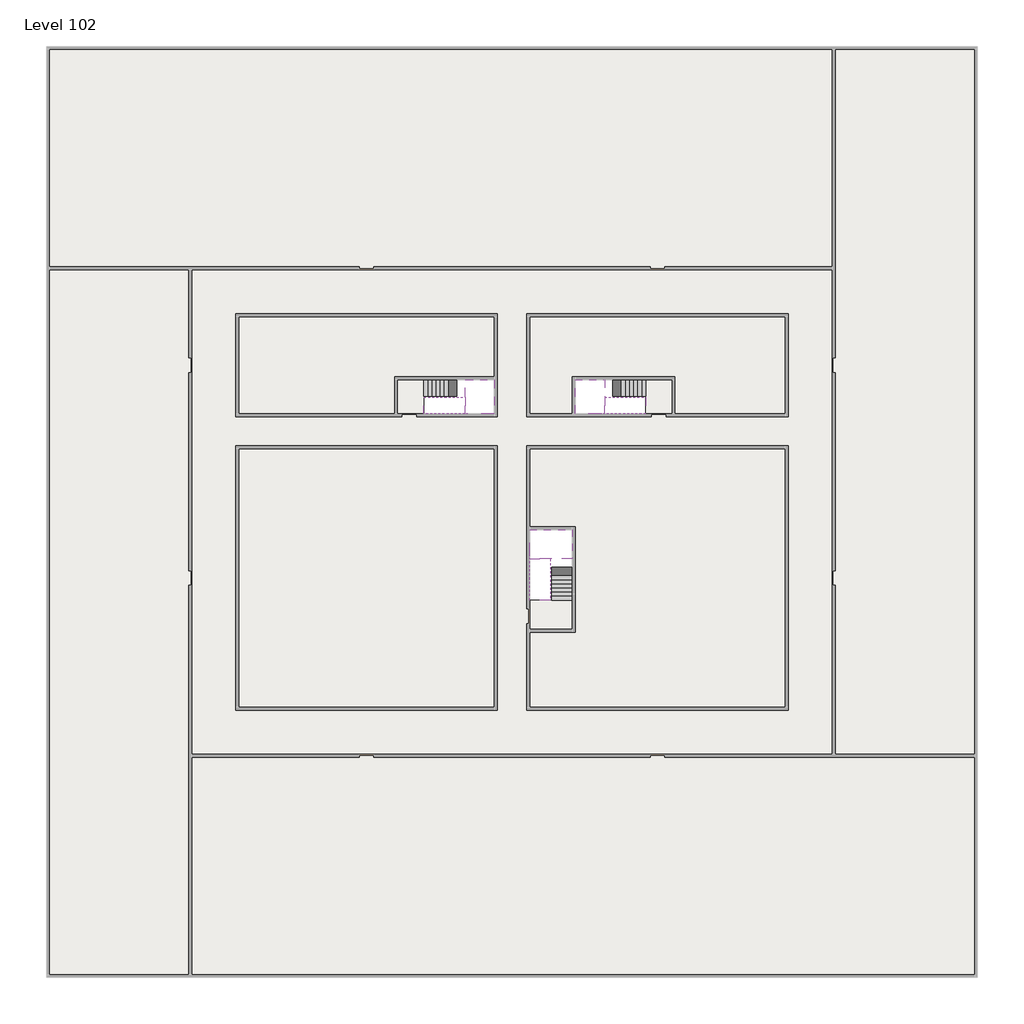
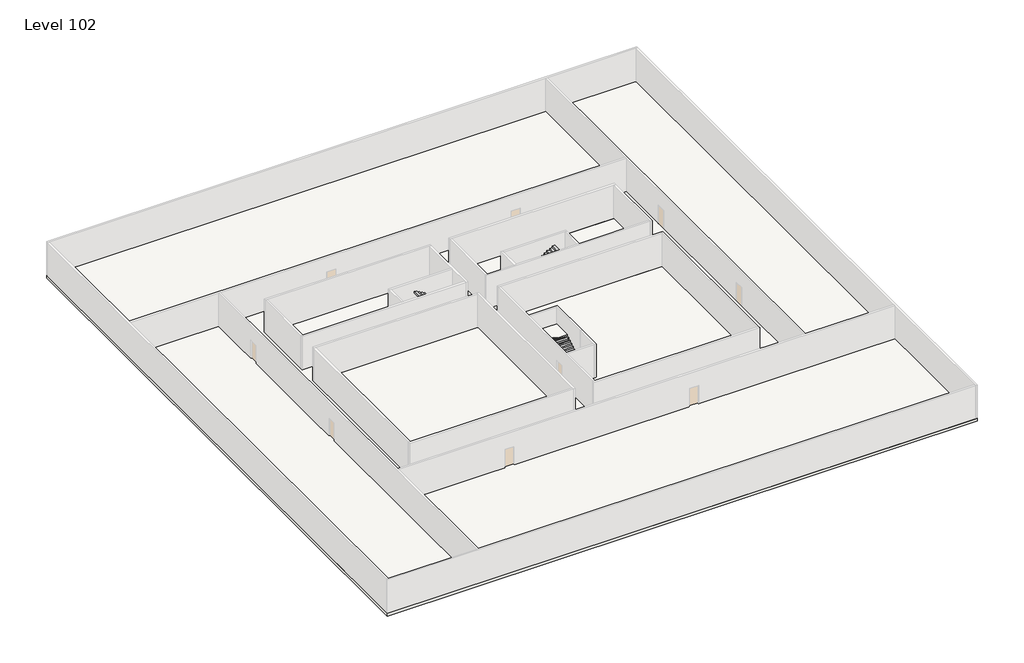
# One storey, part 2 of 2: 6 slabs, 6 stair flights.
"""IFC4 building model written with IfcOpenShell, lengths in millimetres."""

from ifc_helpers import new_model, si_unit, frame, origin, place, context, project, spatial, polyline, outline, extrude, faceted_brep, element, save

model = new_model("IFC4")

# Units and contexts
model_context = context("Model", 3, world=origin())
ifc_project = project(units=[si_unit("LENGTHUNIT", "METRE", prefix="MILLI")], contexts=[model_context])

# Site, building, storey
site = spatial("IfcSite", under=ifc_project)
building = spatial("IfcBuilding", under=site)
storey = spatial("IfcBuildingStorey", under=building, Name="Level 102", Elevation=383800.0)

# Slabs
placement = place(None, origin())
element("IfcSlab", 1, at=placement, inside=storey, context=model_context, shape_type="SweptSolid", body=[
    extrude(outline(polyline([(55890.1058784, -5518.09644), (55890.1058784, -68918.09644), (-7509.8941216, -68918.09644), (-7509.8941216, -5518.09644), (55890.1058784, -5518.09644)]), holes=[polyline([(22990.1058784, -23918.09644), (5590.1058784, -23918.09644), (5590.1058784, -30518.09644), (22990.1058784, -30518.09644), (22990.1058784, -23918.09644)]), polyline([(42990.1058784, -23918.09644), (25390.1058784, -23918.09644), (25390.1058784, -30518.09644), (42990.1058784, -30518.09644), (42990.1058784, -23918.09644)]), polyline([(25390.1058784, -50518.09644), (42790.1058784, -50518.09644), (42790.1058784, -32918.09644), (25390.1058784, -32918.09644), (25390.1058784, -50518.09644)]), polyline([(22990.1058784, -32918.09644), (5590.1058784, -32918.09644), (5590.1058784, -50518.09644), (22990.1058784, -50518.09644), (22990.1058784, -32918.09644)])]), frame((0.0, 0.0, 383500.0), z_axis=(0.0, 0.0, 1.0), x_axis=(1.0, 0.0, 0.0)), (0.0, 0.0, 1.0), 300.0),
])
element("IfcSlab", 2, at=placement, inside=storey, context=model_context, shape_type="SweptSolid", body=[
    extrude(outline(polyline([(22990.1058784, -23918.09644), (22990.1058784, -28018.09644), (16190.1058784, -28018.09644), (16190.1058784, -30518.09644), (5590.1058784, -30518.09644), (5590.1058784, -23918.09644), (22990.1058784, -23918.09644)])), frame((0.0, 0.0, 383500.0), z_axis=(0.0, 0.0, 1.0), x_axis=(1.0, 0.0, 0.0)), (0.0, 0.0, 1.0), 300.0),
    extrude(outline(polyline([(42790.1058784, -23918.09644), (42790.1058784, -30518.09644), (35290.1058784, -30518.09644), (35290.1058784, -28018.09644), (28490.1058784, -28018.09644), (28490.1058784, -30518.09644), (25390.1058784, -30518.09644), (25390.1058784, -23918.09644), (42790.1058784, -23918.09644)])), frame((0.0, 0.0, 383500.0), z_axis=(0.0, 0.0, 1.0), x_axis=(1.0, 0.0, 0.0)), (0.0, 0.0, 1.0), 300.0),
    extrude(outline(polyline([(22990.1058784, -32918.09644), (22990.1058784, -50518.09644), (5590.1058784, -50518.09644), (5590.1058784, -32918.09644), (22990.1058784, -32918.09644)])), frame((0.0, 0.0, 383500.0), z_axis=(0.0, 0.0, 1.0), x_axis=(1.0, 0.0, 0.0)), (0.0, 0.0, 1.0), 300.0),
    extrude(outline(polyline([(25390.1058784, -38218.09644), (25390.1058784, -32918.09644), (42790.1058784, -32918.09644), (42790.1058784, -50518.09644), (25390.1058784, -50518.09644), (25390.1058784, -45418.09644), (28490.1058784, -45418.09644), (28490.1058784, -38218.09644), (25390.1058784, -38218.09644)])), frame((0.0, 0.0, 383500.0), z_axis=(0.0, 0.0, 1.0), x_axis=(1.0, 0.0, 0.0)), (0.0, 0.0, 1.0), 300.0),
])
element("IfcSlab", 3, at=placement, inside=storey, context=model_context, shape_type="Brep", body=[
    faceted_brep([(26890.1058784, -40418.09644, 385700.0), (28290.1058784, -40418.09644, 385700.0), (28290.1058784, -40338.7100038, 385700.0), (28290.1058784, -38418.09644, 385700.0), (25390.1058784, -38418.09644, 385700.0), (25390.1058784, -40217.4828763, 385700.0), (25390.1058784, -40418.09644, 385700.0), (26790.1058784, -40418.09644, 385700.0), (26890.1058784, -40418.09644, 385400.0), (26890.1058784, -40418.09644, 385351.0278478), (28290.1058784, -40418.09644, 385351.0278478), (28290.1058784, -40418.09644, 385527.2727273), (28290.1058784, -40338.7100038, 385400.0), (28290.1058784, -38418.09644, 385400.0), (25390.1058784, -38418.09644, 385400.0), (25390.1058784, -40217.4828763, 385400.0), (25390.1058784, -40418.09644, 385523.7551205), (26790.1058784, -40418.09644, 385523.7551205), (26790.1058784, -40418.09644, 385400.0), (26790.1058784, -40217.4828763, 385400.0), (26890.1058784, -40338.7100038, 385400.0)], [[[0, 1, 2, 3, 4, 5, 6, 7]], [[1, 0, 8, 9, 10, 11]], [[1, 11, 10, 12, 13, 3, 2]], [[4, 3, 13, 14]], [[4, 14, 15, 16, 6, 5]], [[7, 6, 16, 17]], [[0, 7, 17, 18, 8]], [[18, 19, 15, 14, 13, 12, 20, 8]], [[19, 18, 17]], [[20, 12, 10, 9]], [[8, 20, 9]], [[15, 19, 17, 16]]]),
])
element("IfcSlab", 4, at=placement, inside=storey, context=model_context, shape_type="Brep", body=[
    faceted_brep([(20990.1058784, -28218.09644, 385700.0), (20990.1058784, -29318.09644, 385700.0), (20990.1058784, -29418.09644, 385700.0), (20990.1058784, -30518.09644, 385700.0), (21190.7194421, -30518.09644, 385700.0), (22990.1058784, -30518.09644, 385700.0), (22990.1058784, -28218.09644, 385700.0), (21069.4923146, -28218.09644, 385700.0), (20990.1058784, -28218.09644, 385527.2727273), (20990.1058784, -28218.09644, 385351.0278478), (20990.1058784, -29318.09644, 385351.0278478), (20990.1058784, -29318.09644, 385400.0), (20990.1058784, -29418.09644, 385400.0), (20990.1058784, -29418.09644, 385523.7551205), (20990.1058784, -30518.09644, 385523.7551205), (21190.7194421, -30518.09644, 385400.0), (22990.1058784, -30518.09644, 385400.0), (22990.1058784, -28218.09644, 385400.0), (21069.4923146, -28218.09644, 385400.0), (21190.7194421, -29418.09644, 385400.0), (21069.4923146, -29318.09644, 385400.0)], [[[0, 1, 2, 3, 4, 5, 6, 7]], [[1, 0, 8, 9, 10, 11]], [[2, 1, 11, 12, 13]], [[3, 2, 13, 14]], [[3, 14, 15, 16, 5, 4]], [[6, 5, 16, 17]], [[9, 8, 0, 7, 6, 17, 18]], [[19, 12, 11, 20, 18, 17, 16, 15]], [[12, 19, 13]], [[18, 20, 10, 9]], [[20, 11, 10]], [[19, 15, 14, 13]]]),
])
element("IfcSlab", 5, at=placement, inside=storey, context=model_context, shape_type="Brep", body=[
    faceted_brep([(30490.1058784, -29318.09644, 385700.0), (30490.1058784, -28218.09644, 385700.0), (30410.7194421, -28218.09644, 385700.0), (28490.1058784, -28218.09644, 385700.0), (28490.1058784, -30518.09644, 385700.0), (30289.4923146, -30518.09644, 385700.0), (30490.1058784, -30518.09644, 385700.0), (30490.1058784, -29418.09644, 385700.0), (30490.1058784, -29318.09644, 385400.0), (30490.1058784, -29318.09644, 385351.0278478), (30490.1058784, -28218.09644, 385351.0278478), (30490.1058784, -28218.09644, 385527.2727273), (30490.1058784, -29418.09644, 385523.7551205), (30490.1058784, -29418.09644, 385400.0), (30490.1058784, -30518.09644, 385523.7551205), (28490.1058784, -30518.09644, 385400.0), (30289.4923146, -30518.09644, 385400.0), (28490.1058784, -28218.09644, 385400.0), (30410.7194421, -28218.09644, 385400.0), (30289.4923146, -29418.09644, 385400.0), (30410.7194421, -29318.09644, 385400.0)], [[[0, 1, 2, 3, 4, 5, 6, 7]], [[1, 0, 8, 9, 10, 11]], [[0, 7, 12, 13, 8]], [[7, 6, 14, 12]], [[4, 15, 16, 14, 6, 5]], [[4, 3, 17, 15]], [[1, 11, 10, 18, 17, 3, 2]], [[13, 19, 16, 15, 17, 18, 20, 8]], [[20, 18, 10, 9]], [[8, 20, 9]], [[16, 19, 12, 14]], [[19, 13, 12]]]),
])
element("IfcSlab", 6, at=placement, inside=storey, context=model_context, shape_type="SweptSolid", body=[
    extrude(outline(polyline([(35090.1058784, -28218.09644), (35090.1058784, -30518.09644), (33290.1058784, -30518.09644), (33290.1058784, -28218.09644), (35090.1058784, -28218.09644)])), frame((0.0, 0.0, 383500.0), z_axis=(0.0, 0.0, 1.0), x_axis=(1.0, 0.0, 0.0)), (0.0, 0.0, 1.0), 300.0),
    extrude(outline(polyline([(18190.1058784, -28218.09644), (18190.1058784, -30518.09644), (16390.1058784, -30518.09644), (16390.1058784, -28218.09644), (18190.1058784, -28218.09644)])), frame((0.0, 0.0, 383500.0), z_axis=(0.0, 0.0, 1.0), x_axis=(1.0, 0.0, 0.0)), (0.0, 0.0, 1.0), 300.0),
    extrude(outline(polyline([(28290.1058784, -43218.09644), (28290.1058784, -45218.09644), (25390.1058784, -45218.09644), (25390.1058784, -43218.09644), (28290.1058784, -43218.09644)])), frame((0.0, 0.0, 383500.0), z_axis=(0.0, 0.0, 1.0), x_axis=(1.0, 0.0, 0.0)), (0.0, 0.0, 1.0), 300.0),
])

# Stair flights
element("IfcStairFlight", 7, at=placement, inside=storey, context=model_context, shape_type="Brep", body=[
    faceted_brep([(26890.1058784, -42938.09644, 383972.7272727), (26890.1058784, -43218.09644, 383972.7272727), (28290.1058784, -43218.09644, 383972.7272727), (28290.1058784, -42938.09644, 383972.7272727), (26890.1058784, -42938.09644, 383800.0), (26890.1058784, -43218.09644, 383800.0), (28290.1058784, -43218.09644, 383800.0), (28290.1058784, -42938.09644, 383800.0), (26890.1058784, -42658.09644, 384145.4545455), (26890.1058784, -42938.09644, 384145.4545455), (28290.1058784, -42938.09644, 384145.4545455), (28290.1058784, -42658.09644, 384145.4545455), (26890.1058784, -42658.09644, 383969.209666), (26890.1058784, -42932.3942143, 383800.0), (28290.1058784, -42932.3942143, 383800.0), (28290.1058784, -42658.09644, 383969.209666), (26890.1058784, -42378.09644, 384318.1818182), (26890.1058784, -42658.09644, 384318.1818182), (28290.1058784, -42658.09644, 384318.1818182), (28290.1058784, -42378.09644, 384318.1818182), (26890.1058784, -42378.09644, 384141.9369387), (28290.1058784, -42378.09644, 384141.9369387), (26890.1058784, -42098.09644, 384490.9090909), (26890.1058784, -42378.09644, 384490.9090909), (28290.1058784, -42378.09644, 384490.9090909), (28290.1058784, -42098.09644, 384490.9090909), (26890.1058784, -42098.09644, 384314.6642114), (28290.1058784, -42098.09644, 384314.6642114), (26890.1058784, -41818.09644, 384663.6363636), (26890.1058784, -42098.09644, 384663.6363636), (28290.1058784, -42098.09644, 384663.6363636), (28290.1058784, -41818.09644, 384663.6363636), (26890.1058784, -41818.09644, 384487.3914841), (28290.1058784, -41818.09644, 384487.3914841), (26890.1058784, -41538.09644, 384836.3636364), (26890.1058784, -41818.09644, 384836.3636364), (28290.1058784, -41818.09644, 384836.3636364), (28290.1058784, -41538.09644, 384836.3636364), (26890.1058784, -41538.09644, 384660.1187569), (28290.1058784, -41538.09644, 384660.1187569), (26890.1058784, -41258.09644, 385009.0909091), (26890.1058784, -41538.09644, 385009.0909091), (28290.1058784, -41538.09644, 385009.0909091), (28290.1058784, -41258.09644, 385009.0909091), (26890.1058784, -41258.09644, 384832.8460296), (28290.1058784, -41258.09644, 384832.8460296), (26890.1058784, -40978.09644, 385181.8181818), (26890.1058784, -41258.09644, 385181.8181818), (28290.1058784, -41258.09644, 385181.8181818), (28290.1058784, -40978.09644, 385181.8181818), (26890.1058784, -40978.09644, 385005.5733023), (28290.1058784, -40978.09644, 385005.5733023), (26890.1058784, -40698.09644, 385354.5454545), (26890.1058784, -40978.09644, 385354.5454545), (28290.1058784, -40978.09644, 385354.5454545), (28290.1058784, -40698.09644, 385354.5454545), (26890.1058784, -40698.09644, 385178.3005751), (28290.1058784, -40698.09644, 385178.3005751), (26890.1058784, -40418.09644, 385527.2727273), (26890.1058784, -40698.09644, 385527.2727273), (28290.1058784, -40698.09644, 385527.2727273), (28290.1058784, -40418.09644, 385527.2727273), (26890.1058784, -40418.09644, 385400.0), (26890.1058784, -40418.09644, 385351.0278478), (28290.1058784, -40418.09644, 385351.0278478)], [[[0, 1, 2, 3]], [[1, 0, 4, 5]], [[2, 1, 5, 6]], [[3, 2, 6, 7]], [[8, 9, 10, 11]], [[4, 0, 9, 8, 12, 13]], [[0, 3, 10, 9]], [[3, 7, 14, 15, 11, 10]], [[16, 17, 18, 19]], [[17, 16, 20, 12, 8]], [[8, 11, 18, 17]], [[19, 18, 11, 15, 21]], [[22, 23, 24, 25]], [[23, 22, 26, 20, 16]], [[16, 19, 24, 23]], [[25, 24, 19, 21, 27]], [[28, 29, 30, 31]], [[29, 28, 32, 26, 22]], [[22, 25, 30, 29]], [[31, 30, 25, 27, 33]], [[34, 35, 36, 37]], [[35, 34, 38, 32, 28]], [[28, 31, 36, 35]], [[37, 36, 31, 33, 39]], [[40, 41, 42, 43]], [[41, 40, 44, 38, 34]], [[34, 37, 42, 41]], [[43, 42, 37, 39, 45]], [[46, 47, 48, 49]], [[47, 46, 50, 44, 40]], [[40, 43, 48, 47]], [[49, 48, 43, 45, 51]], [[52, 53, 54, 55]], [[53, 52, 56, 50, 46]], [[46, 49, 54, 53]], [[55, 54, 49, 51, 57]], [[58, 59, 60, 61]], [[59, 58, 62, 63, 56, 52]], [[52, 55, 60, 59]], [[61, 60, 55, 57, 64]], [[58, 61, 64, 63, 62]], [[5, 4, 13, 14, 7, 6]], [[14, 13, 12, 20, 26, 32, 38, 44, 50, 56, 63, 64, 57, 51, 45, 39, 33, 27, 21, 15]]]),
])
element("IfcStairFlight", 8, at=placement, inside=storey, context=model_context, shape_type="Brep", body=[
    faceted_brep([(26790.1058784, -40698.09644, 385872.7272727), (26790.1058784, -40418.09644, 385872.7272727), (25390.1058784, -40418.09644, 385872.7272727), (25390.1058784, -40698.09644, 385872.7272727), (26790.1058784, -40698.09644, 385696.4823932), (26790.1058784, -40418.09644, 385523.7551205), (25390.1058784, -40418.09644, 385523.7551205), (25390.1058784, -40418.09644, 385700.0), (25390.1058784, -40698.09644, 385696.4823932), (26790.1058784, -40978.09644, 386045.4545455), (26790.1058784, -40698.09644, 386045.4545455), (25390.1058784, -40698.09644, 386045.4545455), (25390.1058784, -40978.09644, 386045.4545455), (26790.1058784, -40978.09644, 385869.209666), (25390.1058784, -40978.09644, 385869.209666), (26790.1058784, -41258.09644, 386218.1818182), (26790.1058784, -40978.09644, 386218.1818182), (25390.1058784, -40978.09644, 386218.1818182), (25390.1058784, -41258.09644, 386218.1818182), (26790.1058784, -41258.09644, 386041.9369387), (25390.1058784, -41258.09644, 386041.9369387), (26790.1058784, -41538.09644, 386390.9090909), (26790.1058784, -41258.09644, 386390.9090909), (25390.1058784, -41258.09644, 386390.9090909), (25390.1058784, -41538.09644, 386390.9090909), (26790.1058784, -41538.09644, 386214.6642114), (25390.1058784, -41538.09644, 386214.6642114), (26790.1058784, -41818.09644, 386563.6363636), (26790.1058784, -41538.09644, 386563.6363636), (25390.1058784, -41538.09644, 386563.6363636), (25390.1058784, -41818.09644, 386563.6363636), (26790.1058784, -41818.09644, 386387.3914841), (25390.1058784, -41818.09644, 386387.3914841), (26790.1058784, -42098.09644, 386736.3636364), (26790.1058784, -41818.09644, 386736.3636364), (25390.1058784, -41818.09644, 386736.3636364), (25390.1058784, -42098.09644, 386736.3636364), (26790.1058784, -42098.09644, 386560.1187569), (25390.1058784, -42098.09644, 386560.1187569), (26790.1058784, -42378.09644, 386909.0909091), (26790.1058784, -42098.09644, 386909.0909091), (25390.1058784, -42098.09644, 386909.0909091), (25390.1058784, -42378.09644, 386909.0909091), (26790.1058784, -42378.09644, 386732.8460296), (25390.1058784, -42378.09644, 386732.8460296), (26790.1058784, -42658.09644, 387081.8181818), (26790.1058784, -42378.09644, 387081.8181818), (25390.1058784, -42378.09644, 387081.8181818), (25390.1058784, -42658.09644, 387081.8181818), (26790.1058784, -42658.09644, 386905.5733023), (25390.1058784, -42658.09644, 386905.5733023), (26790.1058784, -42938.09644, 387254.5454545), (26790.1058784, -42658.09644, 387254.5454545), (25390.1058784, -42658.09644, 387254.5454545), (25390.1058784, -42938.09644, 387254.5454545), (26790.1058784, -42938.09644, 387078.3005751), (25390.1058784, -42938.09644, 387078.3005751), (26790.1058784, -43218.09644, 387427.2727273), (26790.1058784, -42938.09644, 387427.2727273), (25390.1058784, -42938.09644, 387427.2727273), (25390.1058784, -43218.09644, 387427.2727273), (26790.1058784, -43218.09644, 387251.0278478), (25390.1058784, -43218.09644, 387251.0278478)], [[[0, 1, 2, 3]], [[1, 0, 4, 5]], [[2, 1, 5, 6, 7]], [[3, 2, 7, 6, 8]], [[9, 10, 11, 12]], [[10, 9, 13, 4, 0]], [[11, 10, 0, 3]], [[12, 11, 3, 8, 14]], [[15, 16, 17, 18]], [[16, 15, 19, 13, 9]], [[17, 16, 9, 12]], [[18, 17, 12, 14, 20]], [[21, 22, 23, 24]], [[22, 21, 25, 19, 15]], [[23, 22, 15, 18]], [[24, 23, 18, 20, 26]], [[27, 28, 29, 30]], [[28, 27, 31, 25, 21]], [[29, 28, 21, 24]], [[30, 29, 24, 26, 32]], [[33, 34, 35, 36]], [[34, 33, 37, 31, 27]], [[35, 34, 27, 30]], [[36, 35, 30, 32, 38]], [[39, 40, 41, 42]], [[40, 39, 43, 37, 33]], [[41, 40, 33, 36]], [[42, 41, 36, 38, 44]], [[45, 46, 47, 48]], [[46, 45, 49, 43, 39]], [[47, 46, 39, 42]], [[48, 47, 42, 44, 50]], [[51, 52, 53, 54]], [[52, 51, 55, 49, 45]], [[53, 52, 45, 48]], [[54, 53, 48, 50, 56]], [[57, 58, 59, 60]], [[58, 57, 61, 55, 51]], [[59, 58, 51, 54]], [[60, 59, 54, 56, 62]], [[57, 60, 62, 61]], [[5, 4, 13, 19, 25, 31, 37, 43, 49, 55, 61, 62, 56, 50, 44, 38, 32, 26, 20, 14, 8, 6]]]),
])
element("IfcStairFlight", 9, at=placement, inside=storey, context=model_context, shape_type="Brep", body=[
    faceted_brep([(18470.1058784, -28218.09644, 383972.7272727), (18190.1058784, -28218.09644, 383972.7272727), (18190.1058784, -29318.09644, 383972.7272727), (18470.1058784, -29318.09644, 383972.7272727), (18470.1058784, -28218.09644, 383800.0), (18190.1058784, -28218.09644, 383800.0), (18190.1058784, -29318.09644, 383800.0), (18470.1058784, -29318.09644, 383800.0), (18750.1058784, -28218.09644, 384145.4545455), (18470.1058784, -28218.09644, 384145.4545455), (18470.1058784, -29318.09644, 384145.4545455), (18750.1058784, -29318.09644, 384145.4545455), (18750.1058784, -28218.09644, 383969.209666), (18475.8081041, -28218.09644, 383800.0), (18475.8081041, -29318.09644, 383800.0), (18750.1058784, -29318.09644, 383969.209666), (19030.1058784, -28218.09644, 384318.1818182), (18750.1058784, -28218.09644, 384318.1818182), (18750.1058784, -29318.09644, 384318.1818182), (19030.1058784, -29318.09644, 384318.1818182), (19030.1058784, -28218.09644, 384141.9369387), (19030.1058784, -29318.09644, 384141.9369387), (19310.1058784, -28218.09644, 384490.9090909), (19030.1058784, -28218.09644, 384490.9090909), (19030.1058784, -29318.09644, 384490.9090909), (19310.1058784, -29318.09644, 384490.9090909), (19310.1058784, -28218.09644, 384314.6642114), (19310.1058784, -29318.09644, 384314.6642114), (19590.1058784, -28218.09644, 384663.6363636), (19310.1058784, -28218.09644, 384663.6363636), (19310.1058784, -29318.09644, 384663.6363636), (19590.1058784, -29318.09644, 384663.6363636), (19590.1058784, -28218.09644, 384487.3914841), (19590.1058784, -29318.09644, 384487.3914841), (19870.1058784, -28218.09644, 384836.3636364), (19590.1058784, -28218.09644, 384836.3636364), (19590.1058784, -29318.09644, 384836.3636364), (19870.1058784, -29318.09644, 384836.3636364), (19870.1058784, -28218.09644, 384660.1187569), (19870.1058784, -29318.09644, 384660.1187569), (20150.1058784, -28218.09644, 385009.0909091), (19870.1058784, -28218.09644, 385009.0909091), (19870.1058784, -29318.09644, 385009.0909091), (20150.1058784, -29318.09644, 385009.0909091), (20150.1058784, -28218.09644, 384832.8460296), (20150.1058784, -29318.09644, 384832.8460296), (20430.1058784, -28218.09644, 385181.8181818), (20150.1058784, -28218.09644, 385181.8181818), (20150.1058784, -29318.09644, 385181.8181818), (20430.1058784, -29318.09644, 385181.8181818), (20430.1058784, -28218.09644, 385005.5733023), (20430.1058784, -29318.09644, 385005.5733023), (20710.1058784, -28218.09644, 385354.5454545), (20430.1058784, -28218.09644, 385354.5454545), (20430.1058784, -29318.09644, 385354.5454545), (20710.1058784, -29318.09644, 385354.5454545), (20710.1058784, -28218.09644, 385178.3005751), (20710.1058784, -29318.09644, 385178.3005751), (20990.1058784, -28218.09644, 385527.2727273), (20710.1058784, -28218.09644, 385527.2727273), (20710.1058784, -29318.09644, 385527.2727273), (20990.1058784, -29318.09644, 385527.2727273), (20990.1058784, -28218.09644, 385351.0278478), (20990.1058784, -29318.09644, 385351.0278478), (20990.1058784, -29318.09644, 385400.0)], [[[0, 1, 2, 3]], [[1, 0, 4, 5]], [[2, 1, 5, 6]], [[3, 2, 6, 7]], [[8, 9, 10, 11]], [[4, 0, 9, 8, 12, 13]], [[0, 3, 10, 9]], [[3, 7, 14, 15, 11, 10]], [[16, 17, 18, 19]], [[17, 16, 20, 12, 8]], [[8, 11, 18, 17]], [[19, 18, 11, 15, 21]], [[22, 23, 24, 25]], [[23, 22, 26, 20, 16]], [[16, 19, 24, 23]], [[25, 24, 19, 21, 27]], [[28, 29, 30, 31]], [[29, 28, 32, 26, 22]], [[22, 25, 30, 29]], [[31, 30, 25, 27, 33]], [[34, 35, 36, 37]], [[35, 34, 38, 32, 28]], [[28, 31, 36, 35]], [[37, 36, 31, 33, 39]], [[40, 41, 42, 43]], [[41, 40, 44, 38, 34]], [[34, 37, 42, 41]], [[43, 42, 37, 39, 45]], [[46, 47, 48, 49]], [[47, 46, 50, 44, 40]], [[40, 43, 48, 47]], [[49, 48, 43, 45, 51]], [[52, 53, 54, 55]], [[53, 52, 56, 50, 46]], [[46, 49, 54, 53]], [[55, 54, 49, 51, 57]], [[58, 59, 60, 61]], [[59, 58, 62, 56, 52]], [[52, 55, 60, 59]], [[61, 60, 55, 57, 63, 64]], [[58, 61, 64, 63, 62]], [[5, 4, 13, 14, 7, 6]], [[14, 13, 12, 20, 26, 32, 38, 44, 50, 56, 62, 63, 57, 51, 45, 39, 33, 27, 21, 15]]]),
])
element("IfcStairFlight", 10, at=placement, inside=storey, context=model_context, shape_type="Brep", body=[
    faceted_brep([(20710.1058784, -30518.09644, 385872.7272727), (20990.1058784, -30518.09644, 385872.7272727), (20990.1058784, -29418.09644, 385872.7272727), (20710.1058784, -29418.09644, 385872.7272727), (20710.1058784, -30518.09644, 385696.4823932), (20990.1058784, -30518.09644, 385523.7551205), (20990.1058784, -30518.09644, 385700.0), (20990.1058784, -29418.09644, 385523.7551205), (20710.1058784, -29418.09644, 385696.4823932), (20430.1058784, -30518.09644, 386045.4545455), (20710.1058784, -30518.09644, 386045.4545455), (20710.1058784, -29418.09644, 386045.4545455), (20430.1058784, -29418.09644, 386045.4545455), (20430.1058784, -30518.09644, 385869.209666), (20430.1058784, -29418.09644, 385869.209666), (20150.1058784, -30518.09644, 386218.1818182), (20430.1058784, -30518.09644, 386218.1818182), (20430.1058784, -29418.09644, 386218.1818182), (20150.1058784, -29418.09644, 386218.1818182), (20150.1058784, -30518.09644, 386041.9369387), (20150.1058784, -29418.09644, 386041.9369387), (19870.1058784, -30518.09644, 386390.9090909), (20150.1058784, -30518.09644, 386390.9090909), (20150.1058784, -29418.09644, 386390.9090909), (19870.1058784, -29418.09644, 386390.9090909), (19870.1058784, -30518.09644, 386214.6642114), (19870.1058784, -29418.09644, 386214.6642114), (19590.1058784, -30518.09644, 386563.6363636), (19870.1058784, -30518.09644, 386563.6363636), (19870.1058784, -29418.09644, 386563.6363636), (19590.1058784, -29418.09644, 386563.6363636), (19590.1058784, -30518.09644, 386387.3914841), (19590.1058784, -29418.09644, 386387.3914841), (19310.1058784, -30518.09644, 386736.3636364), (19590.1058784, -30518.09644, 386736.3636364), (19590.1058784, -29418.09644, 386736.3636364), (19310.1058784, -29418.09644, 386736.3636364), (19310.1058784, -30518.09644, 386560.1187569), (19310.1058784, -29418.09644, 386560.1187569), (19030.1058784, -30518.09644, 386909.0909091), (19310.1058784, -30518.09644, 386909.0909091), (19310.1058784, -29418.09644, 386909.0909091), (19030.1058784, -29418.09644, 386909.0909091), (19030.1058784, -30518.09644, 386732.8460296), (19030.1058784, -29418.09644, 386732.8460296), (18750.1058784, -30518.09644, 387081.8181818), (19030.1058784, -30518.09644, 387081.8181818), (19030.1058784, -29418.09644, 387081.8181818), (18750.1058784, -29418.09644, 387081.8181818), (18750.1058784, -30518.09644, 386905.5733023), (18750.1058784, -29418.09644, 386905.5733023), (18470.1058784, -30518.09644, 387254.5454545), (18750.1058784, -30518.09644, 387254.5454545), (18750.1058784, -29418.09644, 387254.5454545), (18470.1058784, -29418.09644, 387254.5454545), (18470.1058784, -30518.09644, 387078.3005751), (18470.1058784, -29418.09644, 387078.3005751), (18190.1058784, -30518.09644, 387427.2727273), (18470.1058784, -30518.09644, 387427.2727273), (18470.1058784, -29418.09644, 387427.2727273), (18190.1058784, -29418.09644, 387427.2727273), (18190.1058784, -30518.09644, 387251.0278478), (18190.1058784, -29418.09644, 387251.0278478)], [[[0, 1, 2, 3]], [[1, 0, 4, 5, 6]], [[2, 1, 6, 5, 7]], [[3, 2, 7, 8]], [[9, 10, 11, 12]], [[10, 9, 13, 4, 0]], [[11, 10, 0, 3]], [[12, 11, 3, 8, 14]], [[15, 16, 17, 18]], [[16, 15, 19, 13, 9]], [[17, 16, 9, 12]], [[18, 17, 12, 14, 20]], [[21, 22, 23, 24]], [[22, 21, 25, 19, 15]], [[23, 22, 15, 18]], [[24, 23, 18, 20, 26]], [[27, 28, 29, 30]], [[28, 27, 31, 25, 21]], [[29, 28, 21, 24]], [[30, 29, 24, 26, 32]], [[33, 34, 35, 36]], [[34, 33, 37, 31, 27]], [[35, 34, 27, 30]], [[36, 35, 30, 32, 38]], [[39, 40, 41, 42]], [[40, 39, 43, 37, 33]], [[41, 40, 33, 36]], [[42, 41, 36, 38, 44]], [[45, 46, 47, 48]], [[46, 45, 49, 43, 39]], [[47, 46, 39, 42]], [[48, 47, 42, 44, 50]], [[51, 52, 53, 54]], [[52, 51, 55, 49, 45]], [[53, 52, 45, 48]], [[54, 53, 48, 50, 56]], [[57, 58, 59, 60]], [[58, 57, 61, 55, 51]], [[59, 58, 51, 54]], [[60, 59, 54, 56, 62]], [[57, 60, 62, 61]], [[5, 4, 13, 19, 25, 31, 37, 43, 49, 55, 61, 62, 56, 50, 44, 38, 32, 26, 20, 14, 8, 7]]]),
])
element("IfcStairFlight", 11, at=placement, inside=storey, context=model_context, shape_type="Brep", body=[
    faceted_brep([(33010.1058784, -29318.09644, 383972.7272727), (33290.1058784, -29318.09644, 383972.7272727), (33290.1058784, -28218.09644, 383972.7272727), (33010.1058784, -28218.09644, 383972.7272727), (33290.1058784, -28218.09644, 383800.0), (33010.1058784, -28218.09644, 383800.0), (33290.1058784, -29318.09644, 383800.0), (33010.1058784, -29318.09644, 383800.0), (32730.1058784, -29318.09644, 384145.4545455), (33010.1058784, -29318.09644, 384145.4545455), (33010.1058784, -28218.09644, 384145.4545455), (32730.1058784, -28218.09644, 384145.4545455), (33004.4036527, -28218.09644, 383800.0), (32730.1058784, -28218.09644, 383969.209666), (32730.1058784, -29318.09644, 383969.209666), (33004.4036527, -29318.09644, 383800.0), (32450.1058784, -29318.09644, 384318.1818182), (32730.1058784, -29318.09644, 384318.1818182), (32730.1058784, -28218.09644, 384318.1818182), (32450.1058784, -28218.09644, 384318.1818182), (32450.1058784, -28218.09644, 384141.9369387), (32450.1058784, -29318.09644, 384141.9369387), (32170.1058784, -29318.09644, 384490.9090909), (32450.1058784, -29318.09644, 384490.9090909), (32450.1058784, -28218.09644, 384490.9090909), (32170.1058784, -28218.09644, 384490.9090909), (32170.1058784, -28218.09644, 384314.6642114), (32170.1058784, -29318.09644, 384314.6642114), (31890.1058784, -29318.09644, 384663.6363636), (32170.1058784, -29318.09644, 384663.6363636), (32170.1058784, -28218.09644, 384663.6363636), (31890.1058784, -28218.09644, 384663.6363636), (31890.1058784, -28218.09644, 384487.3914841), (31890.1058784, -29318.09644, 384487.3914841), (31610.1058784, -29318.09644, 384836.3636364), (31890.1058784, -29318.09644, 384836.3636364), (31890.1058784, -28218.09644, 384836.3636364), (31610.1058784, -28218.09644, 384836.3636364), (31610.1058784, -28218.09644, 384660.1187569), (31610.1058784, -29318.09644, 384660.1187569), (31330.1058784, -29318.09644, 385009.0909091), (31610.1058784, -29318.09644, 385009.0909091), (31610.1058784, -28218.09644, 385009.0909091), (31330.1058784, -28218.09644, 385009.0909091), (31330.1058784, -28218.09644, 384832.8460296), (31330.1058784, -29318.09644, 384832.8460296), (31050.1058784, -29318.09644, 385181.8181818), (31330.1058784, -29318.09644, 385181.8181818), (31330.1058784, -28218.09644, 385181.8181818), (31050.1058784, -28218.09644, 385181.8181818), (31050.1058784, -28218.09644, 385005.5733023), (31050.1058784, -29318.09644, 385005.5733023), (30770.1058784, -29318.09644, 385354.5454545), (31050.1058784, -29318.09644, 385354.5454545), (31050.1058784, -28218.09644, 385354.5454545), (30770.1058784, -28218.09644, 385354.5454545), (30770.1058784, -28218.09644, 385178.3005751), (30770.1058784, -29318.09644, 385178.3005751), (30490.1058784, -29318.09644, 385527.2727273), (30770.1058784, -29318.09644, 385527.2727273), (30770.1058784, -28218.09644, 385527.2727273), (30490.1058784, -28218.09644, 385527.2727273), (30490.1058784, -28218.09644, 385351.0278478), (30490.1058784, -29318.09644, 385400.0), (30490.1058784, -29318.09644, 385351.0278478)], [[[0, 1, 2, 3]], [[3, 2, 4, 5]], [[2, 1, 6, 4]], [[1, 0, 7, 6]], [[8, 9, 10, 11]], [[3, 5, 12, 13, 11, 10]], [[0, 3, 10, 9]], [[7, 0, 9, 8, 14, 15]], [[16, 17, 18, 19]], [[19, 18, 11, 13, 20]], [[8, 11, 18, 17]], [[17, 16, 21, 14, 8]], [[22, 23, 24, 25]], [[25, 24, 19, 20, 26]], [[16, 19, 24, 23]], [[23, 22, 27, 21, 16]], [[28, 29, 30, 31]], [[31, 30, 25, 26, 32]], [[22, 25, 30, 29]], [[29, 28, 33, 27, 22]], [[34, 35, 36, 37]], [[37, 36, 31, 32, 38]], [[28, 31, 36, 35]], [[35, 34, 39, 33, 28]], [[40, 41, 42, 43]], [[43, 42, 37, 38, 44]], [[34, 37, 42, 41]], [[41, 40, 45, 39, 34]], [[46, 47, 48, 49]], [[49, 48, 43, 44, 50]], [[40, 43, 48, 47]], [[47, 46, 51, 45, 40]], [[52, 53, 54, 55]], [[55, 54, 49, 50, 56]], [[46, 49, 54, 53]], [[53, 52, 57, 51, 46]], [[58, 59, 60, 61]], [[61, 60, 55, 56, 62]], [[52, 55, 60, 59]], [[59, 58, 63, 64, 57, 52]], [[58, 61, 62, 64, 63]], [[6, 7, 15, 12, 5, 4]], [[12, 15, 14, 21, 27, 33, 39, 45, 51, 57, 64, 62, 56, 50, 44, 38, 32, 26, 20, 13]]]),
])
element("IfcStairFlight", 12, at=placement, inside=storey, context=model_context, shape_type="Brep", body=[
    faceted_brep([(30770.1058784, -29418.09644, 385872.7272727), (30490.1058784, -29418.09644, 385872.7272727), (30490.1058784, -30518.09644, 385872.7272727), (30770.1058784, -30518.09644, 385872.7272727), (30490.1058784, -30518.09644, 385700.0), (30490.1058784, -30518.09644, 385523.7551205), (30770.1058784, -30518.09644, 385696.4823932), (30490.1058784, -29418.09644, 385523.7551205), (30770.1058784, -29418.09644, 385696.4823932), (31050.1058784, -29418.09644, 386045.4545455), (30770.1058784, -29418.09644, 386045.4545455), (30770.1058784, -30518.09644, 386045.4545455), (31050.1058784, -30518.09644, 386045.4545455), (31050.1058784, -30518.09644, 385869.209666), (31050.1058784, -29418.09644, 385869.209666), (31330.1058784, -29418.09644, 386218.1818182), (31050.1058784, -29418.09644, 386218.1818182), (31050.1058784, -30518.09644, 386218.1818182), (31330.1058784, -30518.09644, 386218.1818182), (31330.1058784, -30518.09644, 386041.9369387), (31330.1058784, -29418.09644, 386041.9369387), (31610.1058784, -29418.09644, 386390.9090909), (31330.1058784, -29418.09644, 386390.9090909), (31330.1058784, -30518.09644, 386390.9090909), (31610.1058784, -30518.09644, 386390.9090909), (31610.1058784, -30518.09644, 386214.6642114), (31610.1058784, -29418.09644, 386214.6642114), (31890.1058784, -29418.09644, 386563.6363636), (31610.1058784, -29418.09644, 386563.6363636), (31610.1058784, -30518.09644, 386563.6363636), (31890.1058784, -30518.09644, 386563.6363636), (31890.1058784, -30518.09644, 386387.3914841), (31890.1058784, -29418.09644, 386387.3914841), (32170.1058784, -29418.09644, 386736.3636364), (31890.1058784, -29418.09644, 386736.3636364), (31890.1058784, -30518.09644, 386736.3636364), (32170.1058784, -30518.09644, 386736.3636364), (32170.1058784, -30518.09644, 386560.1187569), (32170.1058784, -29418.09644, 386560.1187569), (32450.1058784, -29418.09644, 386909.0909091), (32170.1058784, -29418.09644, 386909.0909091), (32170.1058784, -30518.09644, 386909.0909091), (32450.1058784, -30518.09644, 386909.0909091), (32450.1058784, -30518.09644, 386732.8460296), (32450.1058784, -29418.09644, 386732.8460296), (32730.1058784, -29418.09644, 387081.8181818), (32450.1058784, -29418.09644, 387081.8181818), (32450.1058784, -30518.09644, 387081.8181818), (32730.1058784, -30518.09644, 387081.8181818), (32730.1058784, -30518.09644, 386905.5733023), (32730.1058784, -29418.09644, 386905.5733023), (33010.1058784, -29418.09644, 387254.5454545), (32730.1058784, -29418.09644, 387254.5454545), (32730.1058784, -30518.09644, 387254.5454545), (33010.1058784, -30518.09644, 387254.5454545), (33010.1058784, -30518.09644, 387078.3005751), (33010.1058784, -29418.09644, 387078.3005751), (33290.1058784, -29418.09644, 387427.2727273), (33010.1058784, -29418.09644, 387427.2727273), (33010.1058784, -30518.09644, 387427.2727273), (33290.1058784, -30518.09644, 387427.2727273), (33290.1058784, -30518.09644, 387251.0278478), (33290.1058784, -29418.09644, 387251.0278478)], [[[0, 1, 2, 3]], [[3, 2, 4, 5, 6]], [[2, 1, 7, 5, 4]], [[1, 0, 8, 7]], [[9, 10, 11, 12]], [[12, 11, 3, 6, 13]], [[11, 10, 0, 3]], [[10, 9, 14, 8, 0]], [[15, 16, 17, 18]], [[18, 17, 12, 13, 19]], [[17, 16, 9, 12]], [[16, 15, 20, 14, 9]], [[21, 22, 23, 24]], [[24, 23, 18, 19, 25]], [[23, 22, 15, 18]], [[22, 21, 26, 20, 15]], [[27, 28, 29, 30]], [[30, 29, 24, 25, 31]], [[29, 28, 21, 24]], [[28, 27, 32, 26, 21]], [[33, 34, 35, 36]], [[36, 35, 30, 31, 37]], [[35, 34, 27, 30]], [[34, 33, 38, 32, 27]], [[39, 40, 41, 42]], [[42, 41, 36, 37, 43]], [[41, 40, 33, 36]], [[40, 39, 44, 38, 33]], [[45, 46, 47, 48]], [[48, 47, 42, 43, 49]], [[47, 46, 39, 42]], [[46, 45, 50, 44, 39]], [[51, 52, 53, 54]], [[54, 53, 48, 49, 55]], [[53, 52, 45, 48]], [[52, 51, 56, 50, 45]], [[57, 58, 59, 60]], [[60, 59, 54, 55, 61]], [[59, 58, 51, 54]], [[58, 57, 62, 56, 51]], [[57, 60, 61, 62]], [[7, 8, 14, 20, 26, 32, 38, 44, 50, 56, 62, 61, 55, 49, 43, 37, 31, 25, 19, 13, 6, 5]]]),
])

save(model, "model.ifc")
